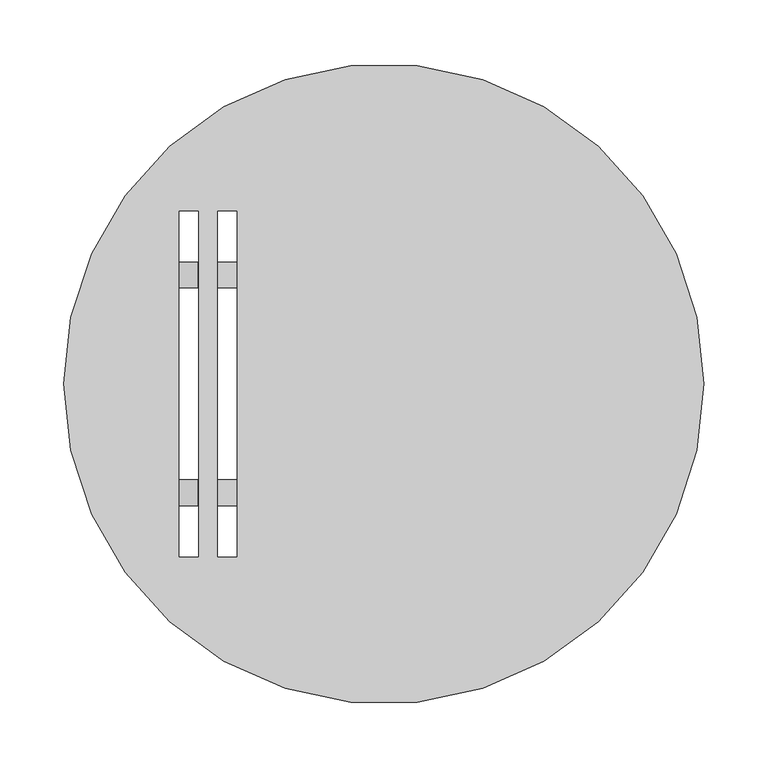
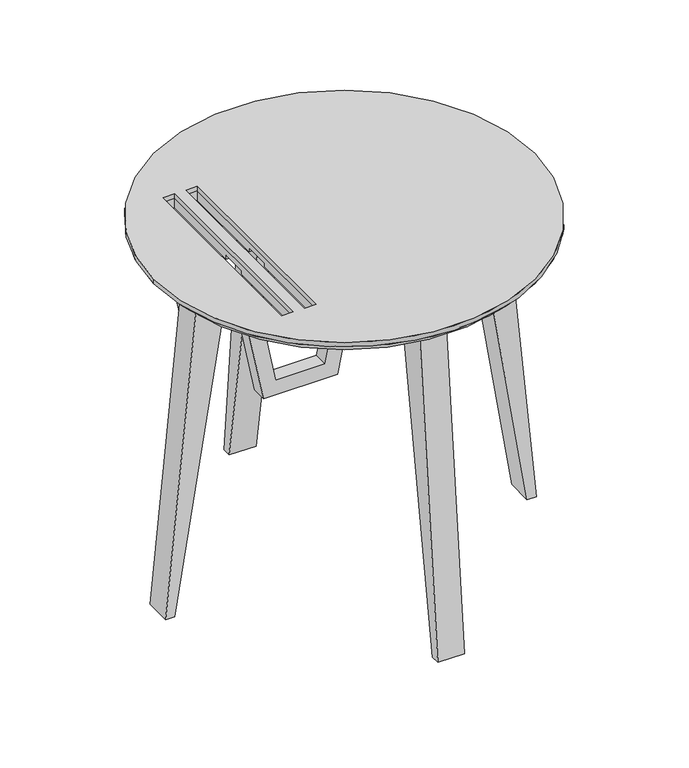
"""IFC4 building model written with IfcOpenShell, lengths in millimetres: furniture geometry."""

from ifc_helpers import new_model, si_unit, point, frame, frame_2d, origin, origin_2d, place, context, project, spatial, polyline, circle_curve, trimmed, segment, composite_curve, outline, extrude, source, transform, mapped, element, save
from ifc_brep_helpers import plane_surface, revolved_surface, advanced_brep


def furniture_b79faf7b(model_context):
    return source(origin(), model_context, "Body", "SolidModel", [
        extrude(outline(polyline([(446.0, -185.0), (326.125, -161.0), (326.125, -64.0), (446.0, -40.0), (446.0, -60.0), (346.125, -80.0), (346.125, -145.0), (446.0, -165.0), (446.0, -185.0)])), frame((0.0, 75.0, 0.0), z_axis=(0.0, 1.0, 0.0), x_axis=(0.0, 0.0, 1.0)), (0.0, 0.0, 1.0), 20.0),
        extrude(outline(polyline([(446.0, -184.975), (326.125, -161.0), (326.125, -64.0), (446.0, -40.025), (446.0, -60.025), (346.125, -80.0), (346.125, -145.0), (446.0, -164.975), (446.0, -184.975)])), frame((0.0, -95.0, 0.0), z_axis=(0.0, 1.0, 0.0), x_axis=(0.0, 0.0, 1.0)), (0.0, 0.0, 1.0), 20.0),
        extrude(outline(composite_curve([segment(trimmed(circle_curve(origin_2d(), 250.0), [point((-250.0, 0.0))], [point((250.0, 0.0))], False, "CARTESIAN"), True, "CONTINUOUS"), segment(trimmed(circle_curve(origin_2d(), 250.0), [point((250.0, 0.0))], [point((-250.0, 0.0))], False, "CARTESIAN"), True, "CONTINUOUS")], self_intersect=False), holes=[polyline([(-145.0, -135.0), (-145.0, 135.0), (-160.0, 135.0), (-160.0, -135.0), (-145.0, -135.0)]), polyline([(-130.0, 135.0), (-130.0, -135.0), (-115.0, -135.0), (-115.0, 135.0), (-130.0, 135.0)])]), frame((0.0, 0.0, 459.0), z_axis=(0.0, 0.0, 1.0), x_axis=(1.0, 0.0, 0.0)), (0.0, 0.0, 1.0), 6.125),
        advanced_brep(
        [(-250.0, 0.0, 459.0), (250.0, 0.0, 459.0), (-145.0, 135.0, 459.0), (-145.0, -135.0, 459.0), (-160.0, -135.0, 459.0), (-160.0, 135.0, 459.0), (-130.0, -135.0, 459.0), (-130.0, 135.0, 459.0), (-115.0, 135.0, 459.0), (-115.0, -135.0, 459.0), (-237.0, 0.0, 446.0), (237.0, 0.0, 446.0), (17.5, 17.5, 446.0), (17.5, 125.0, 446.0), (-17.5, 125.0, 446.0), (-17.5, 17.5, 446.0), (-115.0, 17.5, 446.0), (-115.0, 135.0, 446.0), (-130.0, 135.0, 446.0), (-130.0, 17.5, 446.0), (-145.0, 17.5, 446.0), (-145.0, 135.0, 446.0), (-160.0, 135.0, 446.0), (-160.0, -135.0, 446.0), (-145.0, -135.0, 446.0), (-145.0, -17.5, 446.0), (-130.0, -17.5, 446.0), (-130.0, -135.0, 446.0), (-115.0, -135.0, 446.0), (-115.0, -17.5, 446.0), (-17.5, -17.5, 446.0), (-17.5, -125.0, 446.0), (17.5, -125.0, 446.0), (17.5, -17.5, 446.0), (125.0, -17.5, 446.0), (125.0, 17.5, 446.0), (17.5, 17.5, 451.0), (125.0, 17.5, 451.0), (125.0, -17.5, 451.0), (17.5, -17.5, 451.0), (17.5, -125.0, 451.0), (-17.5, -125.0, 451.0), (-17.5, -17.5, 451.0), (-115.0, -17.5, 451.0), (-115.0, 17.5, 451.0), (-17.5, 17.5, 451.0), (-17.5, 125.0, 451.0), (17.5, 125.0, 451.0), (-130.0, -17.5, 451.0), (-145.0, -17.5, 451.0), (-145.0, 17.5, 451.0), (-130.0, 17.5, 451.0)],
        [
            (0, 1, circle_curve(frame((0.0, 0.0, 459.0), z_axis=(0.0, 0.0, 1.0), x_axis=(-1.0, 0.0, 0.0)), 250.0)),
            (1, 0, circle_curve(frame((0.0, 0.0, 459.0), z_axis=(0.0, 0.0, 1.0), x_axis=(1.0, 0.0, 0.0)), 250.0)),
            (2, 3),
            (3, 4),
            (4, 5),
            (5, 2),
            (6, 7),
            (7, 8),
            (8, 9),
            (9, 6),
            (10, 11, circle_curve(frame((0.0, 0.0, 446.0), z_axis=(0.0, 0.0, -1.0), x_axis=(1.0, 0.0, 0.0)), 237.0)),
            (11, 10, circle_curve(frame((0.0, 0.0, 446.0), z_axis=(0.0, 0.0, -1.0), x_axis=(-1.0, 0.0, 0.0)), 237.0)),
            (12, 13),
            (13, 14),
            (14, 15),
            (15, 16),
            (16, 17),
            (17, 18),
            (18, 19),
            (19, 20),
            (20, 21),
            (21, 22),
            (22, 23),
            (23, 24),
            (24, 25),
            (25, 26),
            (26, 27),
            (27, 28),
            (28, 29),
            (29, 30),
            (30, 31),
            (31, 32),
            (32, 33),
            (33, 34),
            (34, 35),
            (35, 12),
            (0, 10),
            (11, 1),
            (36, 37),
            (37, 38),
            (38, 39),
            (39, 40),
            (40, 41),
            (41, 42),
            (42, 43),
            (43, 44),
            (44, 45),
            (45, 46),
            (46, 47),
            (47, 36),
            (48, 49),
            (49, 50),
            (50, 51),
            (51, 48),
            (47, 13),
            (12, 36),
            (46, 14),
            (45, 15),
            (50, 20),
            (19, 51),
            (42, 30),
            (29, 43),
            (41, 31),
            (40, 32),
            (39, 33),
            (38, 34),
            (37, 35),
            (24, 3),
            (2, 21),
            (49, 25),
            (5, 22),
            (4, 23),
            (18, 7),
            (6, 27),
            (26, 48),
            (9, 28),
            (8, 17),
            (16, 44),
        ],
        [
            plane_surface(frame((0.0, 0.0, 459.0), z_axis=(0.0, 0.0, 1.0), x_axis=(0.0, -1.0, 0.0))),
            plane_surface(frame((0.0, 0.0, 446.0), z_axis=(0.0, 0.0, -1.0), x_axis=(0.0, -1.0, 0.0))),
            revolved_surface(polyline([(237.0, 0.0, 446.0), (250.0, 0.0, 459.0)]), (0.0, 0.0, 209.0), (0.0, 0.0, 1.0)),
            revolved_surface(polyline([(-237.0, 0.0, 446.0), (-250.0, 0.0, 459.0)]), (0.0, 0.0, 209.0), (0.0, 0.0, 1.0)),
            plane_surface(frame((17.5, 200.0, 451.0), z_axis=(0.0, 0.0, -1.0), x_axis=(0.0, 1.0, 0.0))),
            plane_surface(frame((17.5, 17.5, 451.0), z_axis=(-1.0, 0.0, 0.0), x_axis=(0.0, 0.0, -1.0))),
            plane_surface(frame((17.5, 125.0, 451.0), z_axis=(0.0, -1.0, 0.0), x_axis=(0.0, 0.0, -1.0))),
            plane_surface(frame((-17.5, 125.0, 451.0), z_axis=(1.0, 0.0, 0.0), x_axis=(0.0, 0.0, -1.0))),
            plane_surface(frame((-130.0, 17.5, 451.0), z_axis=(0.0, -1.0, 0.0), x_axis=(0.0, 0.0, -1.0))),
            plane_surface(frame((-115.0, -17.5, 451.0), z_axis=(0.0, 1.0, 0.0), x_axis=(0.0, 0.0, -1.0))),
            plane_surface(frame((-17.5, -17.5, 451.0), z_axis=(1.0, 0.0, 0.0), x_axis=(0.0, 0.0, -1.0))),
            plane_surface(frame((-17.5, -125.0, 451.0), z_axis=(0.0, 1.0, 0.0), x_axis=(0.0, 0.0, -1.0))),
            plane_surface(frame((17.5, -125.0, 451.0), z_axis=(-1.0, 0.0, 0.0), x_axis=(0.0, 0.0, -1.0))),
            plane_surface(frame((17.5, -17.5, 451.0), z_axis=(0.0, 1.0, 0.0), x_axis=(0.0, 0.0, -1.0))),
            plane_surface(frame((125.0, -17.5, 451.0), z_axis=(-1.0, 0.0, 0.0), x_axis=(0.0, 0.0, -1.0))),
            plane_surface(frame((125.0, 17.5, 451.0), z_axis=(0.0, -1.0, 0.0), x_axis=(0.0, 0.0, -1.0))),
            plane_surface(frame((-145.0, -135.0, 465.125), z_axis=(-1.0, 0.0, 0.0), x_axis=(0.0, 0.0, -1.0))),
            plane_surface(frame((-145.0, 135.0, 465.125), z_axis=(0.0, -1.0, 0.0), x_axis=(0.0, 0.0, -1.0))),
            plane_surface(frame((-160.0, 135.0, 465.125), z_axis=(1.0, 0.0, 0.0), x_axis=(0.0, 0.0, -1.0))),
            plane_surface(frame((-160.0, -135.0, 465.125), z_axis=(0.0, 1.0, 0.0), x_axis=(0.0, 0.0, -1.0))),
            plane_surface(frame((-130.0, 135.0, 465.125), z_axis=(1.0, 0.0, 0.0), x_axis=(0.0, 0.0, -1.0))),
            plane_surface(frame((-130.0, -135.0, 465.125), z_axis=(0.0, 1.0, 0.0), x_axis=(0.0, 0.0, -1.0))),
            plane_surface(frame((-115.0, -135.0, 465.125), z_axis=(-1.0, 0.0, 0.0), x_axis=(0.0, 0.0, -1.0))),
            plane_surface(frame((-115.0, 135.0, 465.125), z_axis=(0.0, -1.0, 0.0), x_axis=(0.0, 0.0, -1.0))),
            plane_surface(frame((-17.5, 17.5, 451.0), z_axis=(0.0, -1.0, 0.0), x_axis=(0.0, 0.0, -1.0))),
            plane_surface(frame((-145.0, -17.5, 451.0), z_axis=(0.0, 1.0, 0.0), x_axis=(0.0, 0.0, -1.0))),
        ],
        [
            (0, [[1, 2], [3, 4, 5, 6], [7, 8, 9, 10]]),
            (1, [[11, 12], [13, 14, 15, 16, 17, 18, 19, 20, 21, 22, 23, 24, 25, 26, 27, 28, 29, 30, 31, 32, 33, 34, 35, 36]]),
            (2, [[-1, 37, -12, 38]]),
            (3, [[-2, -38, -11, -37]]),
            (4, [[39, 40, 41, 42, 43, 44, 45, 46, 47, 48, 49, 50]]),
            (4, [[51, 52, 53, 54]]),
            (5, [[-50, 55, -13, 56]]),
            (6, [[-49, 57, -14, -55]]),
            (7, [[-48, 58, -15, -57]]),
            (8, [[-53, 59, -20, 60]]),
            (9, [[-45, 61, -30, 62]]),
            (10, [[-44, 63, -31, -61]]),
            (11, [[-43, 64, -32, -63]]),
            (12, [[-42, 65, -33, -64]]),
            (13, [[-41, 66, -34, -65]]),
            (14, [[-40, 67, -35, -66]]),
            (15, [[-39, -56, -36, -67]]),
            (16, [[68, -3, 69, -21, -59, -52, 70, -25]]),
            (17, [[-69, -6, 71, -22]]),
            (18, [[-71, -5, 72, -23]]),
            (19, [[-68, -24, -72, -4]]),
            (20, [[73, -7, 74, -27, 75, -54, -60, -19]]),
            (21, [[-74, -10, 76, -28]]),
            (22, [[-76, -9, 77, -17, 78, -46, -62, -29]]),
            (23, [[-73, -18, -77, -8]]),
            (24, [[-47, -78, -16, -58]]),
            (25, [[-51, -75, -26, -70]]),
        ],
    ),
        extrude(outline(composite_curve([segment(polyline([(451.0, -200.0120361), (0.0, -243.4383969), (0.0, -231.4463793), (412.32535, -165.4129731)]), True, "CONTINUOUS"), segment(trimmed(circle_curve(frame_2d((405.9453322, -125.916265)), 40.0086812), [point((412.32535, -165.4129731))], [point((425.1761958, -161.0))], True, "CARTESIAN"), True, "CONTINUOUS"), segment(polyline([(425.1761958, -161.0), (451.0, -161.0), (451.0, -200.0120361)]), True, "CONTINUOUS")], self_intersect=False)), frame((0.0, -15.0, 0.0), z_axis=(0.0, 1.0, 0.0), x_axis=(0.0, 0.0, 1.0)), (0.0, 0.0, 1.0), 35.0),
        extrude(outline(composite_curve([segment(polyline([(412.3254192, 165.412962), (0.0, 231.4463793), (0.0, 243.4383969), (451.0, 200.0120361), (451.0, 125.0), (446.0, 125.0)]), True, "CONTINUOUS"), segment(trimmed(circle_curve(frame_2d((405.9981623, 125.9043467)), 40.012059), [point((446.0, 125.0))], [point((412.3254192, 165.412962))], True, "CARTESIAN"), True, "CONTINUOUS")], self_intersect=False)), frame((0.0, -15.0, 0.0), z_axis=(0.0, 1.0, 0.0), x_axis=(0.0, 0.0, 1.0)), (0.0, 0.0, 1.0), 35.0),
        extrude(outline(composite_curve([segment(polyline([(-200.0, 451.0), (-125.0, 451.0), (-125.0, 446.0)]), True, "CONTINUOUS"), segment(trimmed(circle_curve(frame_2d((-125.8847713, 405.9981623)), 40.0116213), [point((-125.0, 446.0))], [point((-165.3929545, 412.32535))], True, "CARTESIAN"), True, "CONTINUOUS"), segment(polyline([(-165.3929545, 412.32535), (-231.4263607, 0.0), (-243.4263607, 0.0), (-200.0, 451.0)]), True, "CONTINUOUS")], self_intersect=False)), frame((-17.5, 0.0, 0.0), z_axis=(1.0, 0.0, 0.0), x_axis=(0.0, 1.0, 0.0)), (0.0, 0.0, 1.0), 35.0),
        extrude(outline(composite_curve([segment(polyline([(199.9879605, 451.0), (243.4263574, 0.0), (231.4263607, 0.0), (165.4098631, 412.2197695)]), True, "CONTINUOUS"), segment(trimmed(circle_curve(frame_2d((125.7804202, 405.8731622)), 40.1344262), [point((165.4098631, 412.2197695))], [point((125.0, 446.0))], True, "CARTESIAN"), True, "CONTINUOUS"), segment(polyline([(125.0, 446.0), (125.0, 451.0), (199.9879605, 451.0)]), True, "CONTINUOUS")], self_intersect=False)), frame((-17.5, 0.0, 0.0), z_axis=(1.0, 0.0, 0.0), x_axis=(0.0, 1.0, 0.0)), (0.0, 0.0, 1.0), 35.0),
    ])


if __name__ == "__main__":
    model = new_model("IFC4")
    model_context = context("Model", 3, world=origin())
    ifc_project = project(units=[si_unit("LENGTHUNIT", "METRE", prefix="MILLI")], contexts=[model_context])
    site = spatial("IfcSite", under=ifc_project)
    building = spatial("IfcBuilding", under=site)
    placement = place(None, origin())
    furniture_shape = furniture_b79faf7b(model_context)
    element("IfcFurniture", 1, at=placement, inside=building, context=model_context, shape_type="MappedRepresentation", body=[
        mapped(furniture_shape, transform((0.0, 0.0, 0.0), x_axis=(1.0, 0.0, 0.0), y_axis=(0.0, 1.0, 0.0), z_axis=(0.0, 0.0, 1.0))),
    ])
    save(model, "model.ifc")
